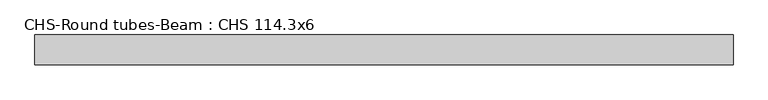
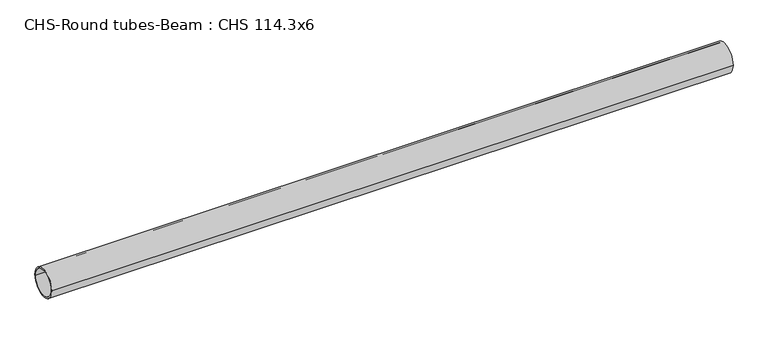
"""IFC4 building model written with IfcOpenShell, lengths in millimetres: beam geometry, CHS-Round tubes-Beam : CHS 114.3x6."""

from ifc_helpers import new_model, si_unit, point, frame, origin, origin_2d, place, context, project, spatial, circle_curve, trimmed, segment, composite_curve, outline, extrude, source, transform, mapped, element, save


def chs_round_tubes_beam_chs_114_3x6_5c99f580(model_context):
    return source(origin(), model_context, "Body", "SweptSolid", [
        extrude(outline(composite_curve([segment(trimmed(circle_curve(origin_2d(), 57.15), [point((57.15, 0.0))], [point((-57.15, 0.0))], False, "CARTESIAN"), True, "CONTINUOUS"), segment(trimmed(circle_curve(origin_2d(), 57.15), [point((-57.15, 0.0))], [point((57.15, 0.0))], False, "CARTESIAN"), True, "CONTINUOUS")], self_intersect=False), holes=[composite_curve([segment(trimmed(circle_curve(origin_2d(), 51.15), [point((51.15, 0.0))], [point((-51.15, 0.0))], True, "CARTESIAN"), True, "CONTINUOUS"), segment(trimmed(circle_curve(origin_2d(), 51.15), [point((-51.15, 0.0))], [point((51.15, 0.0))], True, "CARTESIAN"), True, "CONTINUOUS")], self_intersect=False)]), frame((-1330.1490428, 0.0, 0.0), z_axis=(1.0, 0.0, 0.0), x_axis=(0.0, 1.0, 0.0)), (0.0, 0.0, 1.0), 2685.3760696),
    ])


if __name__ == "__main__":
    model = new_model("IFC4")
    model_context = context("Model", 3, world=origin())
    ifc_project = project(units=[si_unit("LENGTHUNIT", "METRE", prefix="MILLI")], contexts=[model_context])
    site = spatial("IfcSite", under=ifc_project)
    building = spatial("IfcBuilding", under=site)
    placement = place(None, origin())
    chs_round_tubes_beam_chs_114_3x6_shape = chs_round_tubes_beam_chs_114_3x6_5c99f580(model_context)
    element("IfcBeam", 1, ObjectType="CHS-Round tubes-Beam : CHS 114.3x6", at=placement, inside=building, context=model_context, shape_type="MappedRepresentation", body=[
        mapped(chs_round_tubes_beam_chs_114_3x6_shape, transform((0.0, 0.0, 0.0), x_axis=(1.0, 0.0, 0.0), y_axis=(0.0, 1.0, 0.0), z_axis=(0.0, 0.0, 1.0))),
    ])
    save(model, "model.ifc")
